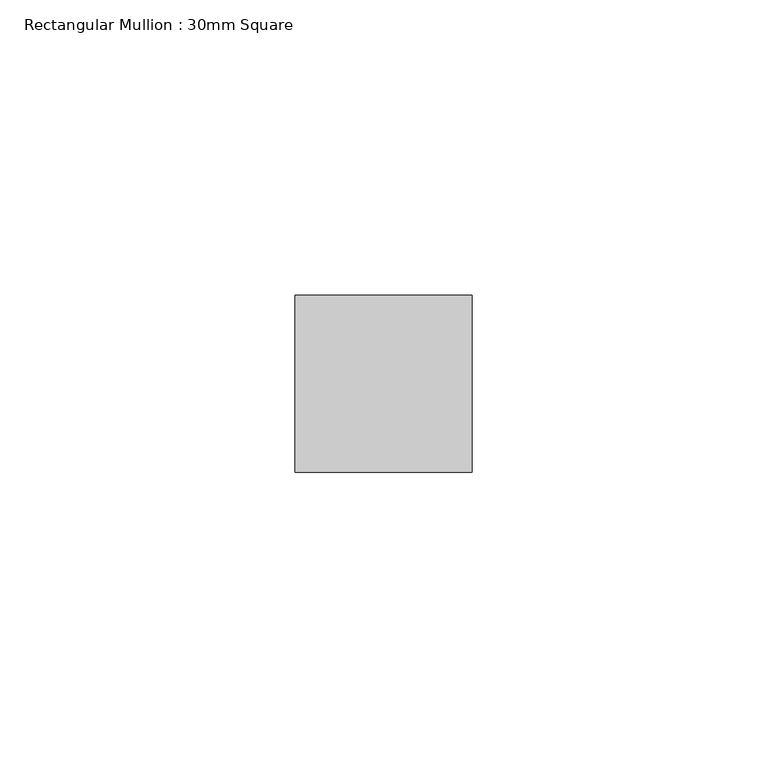
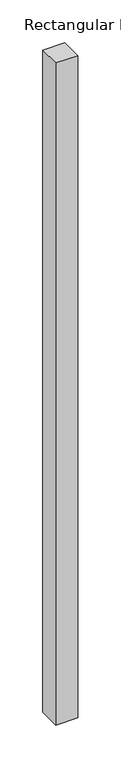
"""IFC4 building model written with IfcOpenShell, lengths in millimetres: member geometry, Rectangular Mullion : 30mm Square."""

import ifcopenshell
import ifcopenshell.guid

model = None  # the IFC model being written
_history = None  # IfcOwnerHistory: only IFC2X3 demands one
_inside = {}  # id of a spatial element -> (the spatial element, [elements in it])
_under = {}  # id of a project, library or spatial element -> (it, [spatial elements below it])
_declared = {}  # id of a project -> (the project, [libraries it declares])
_typed = {}  # id of a type object -> (the type object, [elements of that type])
_made_of = {}  # id of a material, layer set ... -> (it, [elements and type objects made of it])


def new_model(schema):
    """Start an empty IFC model of exactly this schema.

    Asked for "IFC4X3", IfcOpenShell would pick the latest addendum, in which some entities
    have other attributes; the version numbers below select the first issue.
    IFC2X3 requires an IfcOwnerHistory on every rooted entity: one is made here for all.
    """
    global model, _history
    if schema == "IFC4X3":
        model = ifcopenshell.file(schema_version=(4, 3, 0, 0))
    else:
        model = ifcopenshell.file(schema=schema)
    _inside.clear()
    _under.clear()
    _declared.clear()
    _typed.clear()
    _made_of.clear()
    _history = None
    if model.schema == "IFC2X3":
        org = make("IfcOrganization", Name="unknown")
        user = make(
            "IfcPersonAndOrganization",
            ThePerson=make("IfcPerson", FamilyName="unknown"),
            TheOrganization=org,
        )
        app = make(
            "IfcApplication",
            ApplicationDeveloper=org,
            Version="unknown",
            ApplicationFullName="unknown",
            ApplicationIdentifier="unknown",
        )
        _history = make(
            "IfcOwnerHistory",
            OwningUser=user,
            OwningApplication=app,
            ChangeAction="ADDED",
            CreationDate=0,
        )
    return model


def make(cls, **values):
    """One entity of the class cls with the attributes given. An attribute that is None is left unset."""
    return model.create_entity(
        cls, **{name: value for name, value in values.items() if value is not None}
    )


def rooted(cls, **values):
    """An entity with a GlobalId (a new one), such as an element, a storey or a relation."""
    return make(cls, GlobalId=ifcopenshell.guid.new(), OwnerHistory=_history, **values)


def si_unit(unit_type, name, prefix=None):
    """IfcSIUnit, for example si_unit("LENGTHUNIT", "METRE", prefix="MILLI")."""
    return make("IfcSIUnit", UnitType=unit_type, Prefix=prefix, Name=name)


def assignment(units):
    """IfcUnitAssignment: the units of a project."""
    return None if units is None else make("IfcUnitAssignment", Units=units)


def point(xyz):
    """IfcCartesianPoint."""
    return None if xyz is None else make("IfcCartesianPoint", Coordinates=xyz)


def direction(xyz):
    """IfcDirection."""
    return None if xyz is None else make("IfcDirection", DirectionRatios=xyz)


def frame(location, z_axis=None, x_axis=None):
    """IfcAxis2Placement3D, a coordinate frame: its origin and axes. An axis left out is left unset."""
    return make(
        "IfcAxis2Placement3D",
        Location=point(location),
        Axis=direction(z_axis),
        RefDirection=direction(x_axis),
    )


def origin():
    """The frame at (0, 0, 0) with its axes left unset."""
    return frame((0.0, 0.0, 0.0))


def place(relative_to, where):
    """IfcLocalPlacement: puts the frame where relative to a parent placement (None: the world)."""
    return make(
        "IfcLocalPlacement", PlacementRelTo=relative_to, RelativePlacement=where
    )


def context(
    kind, dimensions, precision=None, world=None, true_north=None, identifier=None
):
    """IfcGeometricRepresentationContext, for example the 3D "Model" context."""
    return make(
        "IfcGeometricRepresentationContext",
        ContextIdentifier=identifier,
        ContextType=kind,
        CoordinateSpaceDimension=dimensions,
        Precision=precision,
        WorldCoordinateSystem=world,
        TrueNorth=true_north,
    )


def project(units=None, contexts=None):
    """IfcProject with its units and contexts."""
    return rooted(
        "IfcProject",
        Name="project",
        RepresentationContexts=contexts,
        UnitsInContext=assignment(units),
    )


def spatial(cls, under=None, at=None, **own):
    """A site, building, storey or space (cls), placed at a placement, below another one or the project."""
    s = rooted(cls, ObjectPlacement=at, **own)
    if under is not None:
        _under.setdefault(under.id(), (under, []))[1].append(s)
    return s


def polyline(points):
    """IfcPolyline through the points."""
    return make("IfcPolyline", Points=[point(p) for p in points])


def outline(outer, holes=None, kind="AREA"):
    """IfcArbitraryClosedProfileDef: a profile drawn as a closed curve; with holes, ...WithVoids."""
    if holes is None:
        return make("IfcArbitraryClosedProfileDef", ProfileType=kind, OuterCurve=outer)
    return make(
        "IfcArbitraryProfileDefWithVoids",
        ProfileType=kind,
        OuterCurve=outer,
        InnerCurves=holes,
    )


def extrude(swept, where, along, depth):
    """IfcExtrudedAreaSolid: the profile swept, set in the frame where, extruded along a direction by depth."""
    return make(
        "IfcExtrudedAreaSolid",
        SweptArea=swept,
        Position=where,
        ExtrudedDirection=direction(along),
        Depth=depth,
    )


def shape(context_of_items, identifier, shape_type, items):
    """IfcShapeRepresentation: the items that make up one representation, for example the "Body"."""
    return make(
        "IfcShapeRepresentation",
        ContextOfItems=context_of_items,
        RepresentationIdentifier=identifier,
        RepresentationType=shape_type,
        Items=items,
    )


def source(mapping_origin, context_of_items, identifier, shape_type, items):
    """IfcRepresentationMap: a shape defined once, which mapped items show again and again."""
    return make(
        "IfcRepresentationMap",
        MappingOrigin=mapping_origin,
        MappedRepresentation=shape(context_of_items, identifier, shape_type, items),
    )


def transform(
    local_origin,
    x_axis=None,
    y_axis=None,
    z_axis=None,
    scale=None,
    scale2=None,
    scale3=None,
    uniform=True,
):
    """IfcCartesianTransformationOperator3D, or its non-uniform kind. x_axis, y_axis, z_axis: its Axis1, 2, 3."""
    if uniform:
        return make(
            "IfcCartesianTransformationOperator3D",
            Axis1=direction(x_axis),
            Axis2=direction(y_axis),
            LocalOrigin=point(local_origin),
            Scale=scale,
            Axis3=direction(z_axis),
        )
    return make(
        "IfcCartesianTransformationOperator3DnonUniform",
        Axis1=direction(x_axis),
        Axis2=direction(y_axis),
        LocalOrigin=point(local_origin),
        Scale=scale,
        Axis3=direction(z_axis),
        Scale2=scale2,
        Scale3=scale3,
    )


def mapped(mapping_source, mapping_target):
    """IfcMappedItem: shows the shape of a source again, moved by a transform."""
    return make(
        "IfcMappedItem", MappingSource=mapping_source, MappingTarget=mapping_target
    )


def made_of(thing, what):
    """Note that an element or type object is made of a material, layer set ...; save() writes the relation."""
    if what is not None:
        _made_of.setdefault(what.id(), (what, []))[1].append(thing)
    return thing


def element(
    cls,
    number,
    at=None,
    inside=None,
    cuts=None,
    type_object=None,
    material=None,
    context=None,
    identifier="Body",
    shape_type=None,
    held_by="IfcProductDefinitionShape",
    body=None,
    shapes=None,
    **own,
):
    """One element of the class cls, such as IfcWall. Its Tag is "e" and its number.

    at: its placement. inside: the storey or other place that contains it. cuts: it is an
    opening in that element (IfcRelVoidsElement). A single representation is given by context,
    identifier, shape_type and body (its items); several are given by shapes. held_by: the class
    of the entity that holds the representations. save() writes the other relations.
    """
    e = rooted(cls, Tag="e%d" % number, ObjectPlacement=at, **own)
    if body is not None:
        shapes = [shape(context, identifier, shape_type, body)]
    if shapes is not None:
        e.Representation = make(held_by, Representations=shapes)
    if inside is not None:
        _inside.setdefault(inside.id(), (inside, []))[1].append(e)
    if cuts is not None:
        rooted(
            "IfcRelVoidsElement", RelatingBuildingElement=cuts, RelatedOpeningElement=e
        )
    if type_object is not None:
        _typed.setdefault(type_object.id(), (type_object, []))[1].append(e)
    return made_of(e, material)


def aggregate(whole, parts):
    """IfcRelAggregates: a whole, such as a stair, and the parts it consists of."""
    return rooted("IfcRelAggregates", RelatingObject=whole, RelatedObjects=parts)


def save(model, path):
    """Write the relations noted so far, then the file.

    IfcRelAggregates (storeys below a building ...), IfcRelContainedInSpatialStructure (elements
    in a storey), IfcRelDefinesByType, IfcRelAssociatesMaterial and IfcRelDeclares: one each for
    every whole, place, type object, material and project.
    """
    for whole, parts in _under.values():
        aggregate(whole, parts)
    for where, things in _inside.values():
        rooted(
            "IfcRelContainedInSpatialStructure",
            RelatedElements=things,
            RelatingStructure=where,
        )
    for kind, things in _typed.values():
        rooted("IfcRelDefinesByType", RelatedObjects=things, RelatingType=kind)
    for what, things in _made_of.values():
        rooted("IfcRelAssociatesMaterial", RelatedObjects=things, RelatingMaterial=what)
    for by, libraries in _declared.values():
        rooted("IfcRelDeclares", RelatingContext=by, RelatedDefinitions=libraries)
    model.write(path)


def rectangular_mullion_30mm_square_2c1a85a9(model_context):
    return source(origin(), model_context, "Body", "SweptSolid", [
        extrude(outline(polyline([(15.0, 15.0), (15.0, -15.0), (-15.0, -15.0), (-15.0, 15.0), (15.0, 15.0)])), frame((0.0, 0.0, -945.5291604), z_axis=(0.0, 0.0, 1.0), x_axis=(1.0, 0.0, 0.0)), (0.0, 0.0, 1.0), 945.5291604),
    ])


if __name__ == "__main__":
    model = new_model("IFC4")
    model_context = context("Model", 3, world=origin())
    ifc_project = project(units=[si_unit("LENGTHUNIT", "METRE", prefix="MILLI")], contexts=[model_context])
    site = spatial("IfcSite", under=ifc_project)
    building = spatial("IfcBuilding", under=site)
    placement = place(None, origin())
    rectangular_mullion_30mm_square_shape = rectangular_mullion_30mm_square_2c1a85a9(model_context)
    element("IfcMember", 1, ObjectType="Rectangular Mullion : 30mm Square", at=placement, inside=building, context=model_context, shape_type="MappedRepresentation", body=[
        mapped(rectangular_mullion_30mm_square_shape, transform((0.0, 0.0, 0.0), x_axis=(1.0, 0.0, 0.0), y_axis=(0.0, 1.0, 0.0), z_axis=(0.0, 0.0, 1.0))),
    ])
    save(model, "model.ifc")
